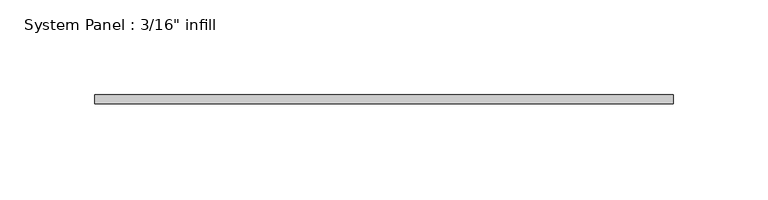
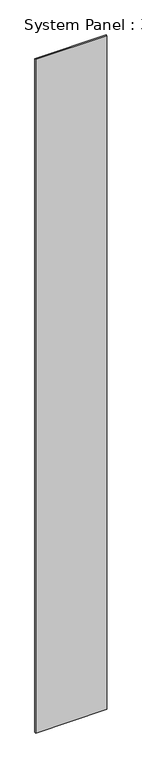
"""IFC4 building model written with IfcOpenShell, lengths in millimetres: plate geometry."""

from ifc_helpers import new_model, si_unit, origin, origin_with_axes, place, context, project, spatial, polyline, outline, extrude, source, transform, mapped, element, save


def plate_36477a41(model_context):
    return source(origin(), model_context, "Body", "SweptSolid", [
        extrude(outline(polyline([(152.4, 39.7867187), (-152.4, 39.7867187), (-152.4, 44.5492188), (152.4, 44.5492188), (152.4, 39.7867187)])), origin_with_axes(), (0.0, 0.0, 1.0), 3048.0),
    ])


if __name__ == "__main__":
    model = new_model("IFC4")
    model_context = context("Model", 3, world=origin())
    ifc_project = project(units=[si_unit("LENGTHUNIT", "METRE", prefix="MILLI")], contexts=[model_context])
    site = spatial("IfcSite", under=ifc_project)
    building = spatial("IfcBuilding", under=site)
    placement = place(None, origin())
    plate_shape = plate_36477a41(model_context)
    element("IfcPlate", 1, ObjectType="System Panel : 3/16\" infill", at=placement, inside=building, context=model_context, shape_type="MappedRepresentation", body=[
        mapped(plate_shape, transform((0.0, 0.0, 0.0), x_axis=(1.0, 0.0, 0.0), y_axis=(0.0, 1.0, 0.0), z_axis=(0.0, 0.0, 1.0))),
    ])
    save(model, "model.ifc")
